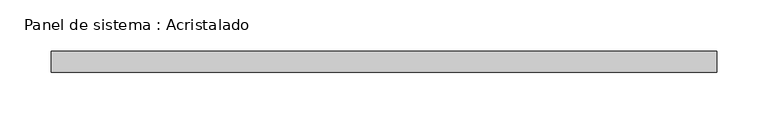
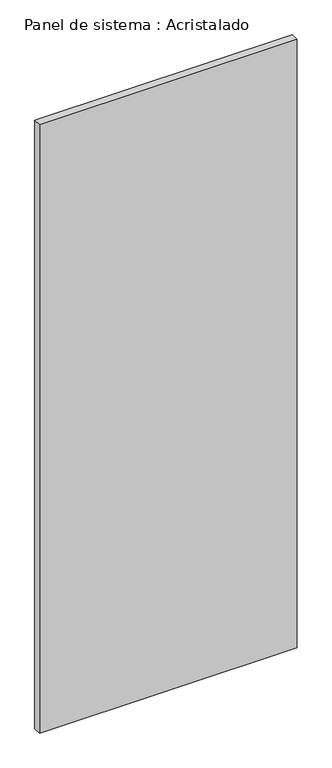
"""IFC4 building model written with IfcOpenShell, lengths in millimetres: plate geometry, Panel de sistema : Acristalado."""

from ifc_helpers import new_model, si_unit, origin, origin_with_axes, place, context, project, spatial, polyline, outline, extrude, source, transform, mapped, element, save


def panel_de_sistema_acristalado_e2c7949a(model_context):
    return source(origin(), model_context, "Body", "SweptSolid", [
        extrude(outline(polyline([(323.0, -10.0), (-323.0, -10.0), (-323.0, 10.0), (323.0, 10.0), (323.0, -10.0)])), origin_with_axes(), (0.0, 0.0, 1.0), 1610.8718726),
    ])


if __name__ == "__main__":
    model = new_model("IFC4")
    model_context = context("Model", 3, world=origin())
    ifc_project = project(units=[si_unit("LENGTHUNIT", "METRE", prefix="MILLI")], contexts=[model_context])
    site = spatial("IfcSite", under=ifc_project)
    building = spatial("IfcBuilding", under=site)
    placement = place(None, origin())
    panel_de_sistema_acristalado_shape = panel_de_sistema_acristalado_e2c7949a(model_context)
    element("IfcPlate", 1, ObjectType="Panel de sistema : Acristalado", at=placement, inside=building, context=model_context, shape_type="MappedRepresentation", body=[
        mapped(panel_de_sistema_acristalado_shape, transform((0.0, 0.0, 0.0), x_axis=(1.0, 0.0, 0.0), y_axis=(0.0, 1.0, 0.0), z_axis=(0.0, 0.0, 1.0))),
    ])
    save(model, "model.ifc")
